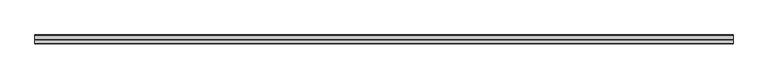
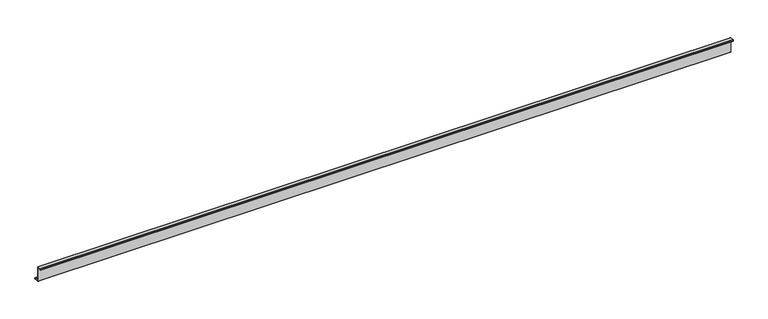
"""IFC4 building model written with IfcOpenShell, lengths in millimetres: member geometry."""

import ifcopenshell
import ifcopenshell.guid

model = None  # the IFC model being written
_history = None  # IfcOwnerHistory: only IFC2X3 demands one
_inside = {}  # id of a spatial element -> (the spatial element, [elements in it])
_under = {}  # id of a project, library or spatial element -> (it, [spatial elements below it])
_declared = {}  # id of a project -> (the project, [libraries it declares])
_typed = {}  # id of a type object -> (the type object, [elements of that type])
_made_of = {}  # id of a material, layer set ... -> (it, [elements and type objects made of it])


def new_model(schema):
    """Start an empty IFC model of exactly this schema.

    Asked for "IFC4X3", IfcOpenShell would pick the latest addendum, in which some entities
    have other attributes; the version numbers below select the first issue.
    IFC2X3 requires an IfcOwnerHistory on every rooted entity: one is made here for all.
    """
    global model, _history
    if schema == "IFC4X3":
        model = ifcopenshell.file(schema_version=(4, 3, 0, 0))
    else:
        model = ifcopenshell.file(schema=schema)
    _inside.clear()
    _under.clear()
    _declared.clear()
    _typed.clear()
    _made_of.clear()
    _history = None
    if model.schema == "IFC2X3":
        org = make("IfcOrganization", Name="unknown")
        user = make(
            "IfcPersonAndOrganization",
            ThePerson=make("IfcPerson", FamilyName="unknown"),
            TheOrganization=org,
        )
        app = make(
            "IfcApplication",
            ApplicationDeveloper=org,
            Version="unknown",
            ApplicationFullName="unknown",
            ApplicationIdentifier="unknown",
        )
        _history = make(
            "IfcOwnerHistory",
            OwningUser=user,
            OwningApplication=app,
            ChangeAction="ADDED",
            CreationDate=0,
        )
    return model


def make(cls, **values):
    """One entity of the class cls with the attributes given. An attribute that is None is left unset."""
    return model.create_entity(
        cls, **{name: value for name, value in values.items() if value is not None}
    )


def rooted(cls, **values):
    """An entity with a GlobalId (a new one), such as an element, a storey or a relation."""
    return make(cls, GlobalId=ifcopenshell.guid.new(), OwnerHistory=_history, **values)


def si_unit(unit_type, name, prefix=None):
    """IfcSIUnit, for example si_unit("LENGTHUNIT", "METRE", prefix="MILLI")."""
    return make("IfcSIUnit", UnitType=unit_type, Prefix=prefix, Name=name)


def assignment(units):
    """IfcUnitAssignment: the units of a project."""
    return None if units is None else make("IfcUnitAssignment", Units=units)


def point(xyz):
    """IfcCartesianPoint."""
    return None if xyz is None else make("IfcCartesianPoint", Coordinates=xyz)


def direction(xyz):
    """IfcDirection."""
    return None if xyz is None else make("IfcDirection", DirectionRatios=xyz)


def frame(location, z_axis=None, x_axis=None):
    """IfcAxis2Placement3D, a coordinate frame: its origin and axes. An axis left out is left unset."""
    return make(
        "IfcAxis2Placement3D",
        Location=point(location),
        Axis=direction(z_axis),
        RefDirection=direction(x_axis),
    )


def frame_2d(location, x_axis=None):
    """IfcAxis2Placement2D, a coordinate frame in the plane: its origin and x axis."""
    return make(
        "IfcAxis2Placement2D", Location=point(location), RefDirection=direction(x_axis)
    )


def origin():
    """The frame at (0, 0, 0) with its axes left unset."""
    return frame((0.0, 0.0, 0.0))


def place(relative_to, where):
    """IfcLocalPlacement: puts the frame where relative to a parent placement (None: the world)."""
    return make(
        "IfcLocalPlacement", PlacementRelTo=relative_to, RelativePlacement=where
    )


def context(
    kind, dimensions, precision=None, world=None, true_north=None, identifier=None
):
    """IfcGeometricRepresentationContext, for example the 3D "Model" context."""
    return make(
        "IfcGeometricRepresentationContext",
        ContextIdentifier=identifier,
        ContextType=kind,
        CoordinateSpaceDimension=dimensions,
        Precision=precision,
        WorldCoordinateSystem=world,
        TrueNorth=true_north,
    )


def project(units=None, contexts=None):
    """IfcProject with its units and contexts."""
    return rooted(
        "IfcProject",
        Name="project",
        RepresentationContexts=contexts,
        UnitsInContext=assignment(units),
    )


def spatial(cls, under=None, at=None, **own):
    """A site, building, storey or space (cls), placed at a placement, below another one or the project."""
    s = rooted(cls, ObjectPlacement=at, **own)
    if under is not None:
        _under.setdefault(under.id(), (under, []))[1].append(s)
    return s


def polyline(points):
    """IfcPolyline through the points."""
    return make("IfcPolyline", Points=[point(p) for p in points])


def circle_curve(where, radius):
    """IfcCircle in the frame where."""
    return make("IfcCircle", Position=where, Radius=radius)


def trimmed(basis, trim1, trim2, sense, master):
    """IfcTrimmedCurve: the piece of a basis curve between two trims."""
    return make(
        "IfcTrimmedCurve",
        BasisCurve=basis,
        Trim1=trim1,
        Trim2=trim2,
        SenseAgreement=sense,
        MasterRepresentation=master,
    )


def segment(curve, same_sense, transition):
    """IfcCompositeCurveSegment."""
    return make(
        "IfcCompositeCurveSegment",
        Transition=transition,
        SameSense=same_sense,
        ParentCurve=curve,
    )


def composite_curve(segments, self_intersect=None):
    """IfcCompositeCurve: segments joined end to end."""
    return make("IfcCompositeCurve", Segments=segments, SelfIntersect=self_intersect)


def outline(outer, holes=None, kind="AREA"):
    """IfcArbitraryClosedProfileDef: a profile drawn as a closed curve; with holes, ...WithVoids."""
    if holes is None:
        return make("IfcArbitraryClosedProfileDef", ProfileType=kind, OuterCurve=outer)
    return make(
        "IfcArbitraryProfileDefWithVoids",
        ProfileType=kind,
        OuterCurve=outer,
        InnerCurves=holes,
    )


def extrude(swept, where, along, depth):
    """IfcExtrudedAreaSolid: the profile swept, set in the frame where, extruded along a direction by depth."""
    return make(
        "IfcExtrudedAreaSolid",
        SweptArea=swept,
        Position=where,
        ExtrudedDirection=direction(along),
        Depth=depth,
    )


def shape(context_of_items, identifier, shape_type, items):
    """IfcShapeRepresentation: the items that make up one representation, for example the "Body"."""
    return make(
        "IfcShapeRepresentation",
        ContextOfItems=context_of_items,
        RepresentationIdentifier=identifier,
        RepresentationType=shape_type,
        Items=items,
    )


def source(mapping_origin, context_of_items, identifier, shape_type, items):
    """IfcRepresentationMap: a shape defined once, which mapped items show again and again."""
    return make(
        "IfcRepresentationMap",
        MappingOrigin=mapping_origin,
        MappedRepresentation=shape(context_of_items, identifier, shape_type, items),
    )


def transform(
    local_origin,
    x_axis=None,
    y_axis=None,
    z_axis=None,
    scale=None,
    scale2=None,
    scale3=None,
    uniform=True,
):
    """IfcCartesianTransformationOperator3D, or its non-uniform kind. x_axis, y_axis, z_axis: its Axis1, 2, 3."""
    if uniform:
        return make(
            "IfcCartesianTransformationOperator3D",
            Axis1=direction(x_axis),
            Axis2=direction(y_axis),
            LocalOrigin=point(local_origin),
            Scale=scale,
            Axis3=direction(z_axis),
        )
    return make(
        "IfcCartesianTransformationOperator3DnonUniform",
        Axis1=direction(x_axis),
        Axis2=direction(y_axis),
        LocalOrigin=point(local_origin),
        Scale=scale,
        Axis3=direction(z_axis),
        Scale2=scale2,
        Scale3=scale3,
    )


def mapped(mapping_source, mapping_target):
    """IfcMappedItem: shows the shape of a source again, moved by a transform."""
    return make(
        "IfcMappedItem", MappingSource=mapping_source, MappingTarget=mapping_target
    )


def made_of(thing, what):
    """Note that an element or type object is made of a material, layer set ...; save() writes the relation."""
    if what is not None:
        _made_of.setdefault(what.id(), (what, []))[1].append(thing)
    return thing


def element(
    cls,
    number,
    at=None,
    inside=None,
    cuts=None,
    type_object=None,
    material=None,
    context=None,
    identifier="Body",
    shape_type=None,
    held_by="IfcProductDefinitionShape",
    body=None,
    shapes=None,
    **own,
):
    """One element of the class cls, such as IfcWall. Its Tag is "e" and its number.

    at: its placement. inside: the storey or other place that contains it. cuts: it is an
    opening in that element (IfcRelVoidsElement). A single representation is given by context,
    identifier, shape_type and body (its items); several are given by shapes. held_by: the class
    of the entity that holds the representations. save() writes the other relations.
    """
    e = rooted(cls, Tag="e%d" % number, ObjectPlacement=at, **own)
    if body is not None:
        shapes = [shape(context, identifier, shape_type, body)]
    if shapes is not None:
        e.Representation = make(held_by, Representations=shapes)
    if inside is not None:
        _inside.setdefault(inside.id(), (inside, []))[1].append(e)
    if cuts is not None:
        rooted(
            "IfcRelVoidsElement", RelatingBuildingElement=cuts, RelatedOpeningElement=e
        )
    if type_object is not None:
        _typed.setdefault(type_object.id(), (type_object, []))[1].append(e)
    return made_of(e, material)


def aggregate(whole, parts):
    """IfcRelAggregates: a whole, such as a stair, and the parts it consists of."""
    return rooted("IfcRelAggregates", RelatingObject=whole, RelatedObjects=parts)


def save(model, path):
    """Write the relations noted so far, then the file.

    IfcRelAggregates (storeys below a building ...), IfcRelContainedInSpatialStructure (elements
    in a storey), IfcRelDefinesByType, IfcRelAssociatesMaterial and IfcRelDeclares: one each for
    every whole, place, type object, material and project.
    """
    for whole, parts in _under.values():
        aggregate(whole, parts)
    for where, things in _inside.values():
        rooted(
            "IfcRelContainedInSpatialStructure",
            RelatedElements=things,
            RelatingStructure=where,
        )
    for kind, things in _typed.values():
        rooted("IfcRelDefinesByType", RelatedObjects=things, RelatingType=kind)
    for what, things in _made_of.values():
        rooted("IfcRelAssociatesMaterial", RelatedObjects=things, RelatingMaterial=what)
    for by, libraries in _declared.values():
        rooted("IfcRelDeclares", RelatingContext=by, RelatedDefinitions=libraries)
    model.write(path)


def member_5518b96e(model_context):
    return source(origin(), model_context, "Body", "SweptSolid", [
        extrude(outline(composite_curve([segment(polyline([(0.0, -123.5), (0.0, 123.5)]), True, "CONTINUOUS"), segment(trimmed(circle_curve(frame_2d((-2.0, 123.5)), 2.0), [point((0.0, 123.5))], [point((-2.0, 125.5))], True, "CARTESIAN"), True, "CONTINUOUS"), segment(polyline([(-2.0, 125.5), (-63.5, 125.5)]), True, "CONTINUOUS"), segment(trimmed(circle_curve(frame_2d((-63.5, 123.5)), 2.0), [point((-63.5, 125.5))], [point((-65.5, 123.5))], True, "CARTESIAN"), True, "CONTINUOUS"), segment(polyline([(-65.5, 123.5), (-65.5, 107.0), (-67.0, 107.0), (-67.0, 123.5)]), True, "CONTINUOUS"), segment(trimmed(circle_curve(frame_2d((-63.5, 123.5)), 3.5), [point((-67.0, 123.5))], [point((-63.5, 127.0))], False, "CARTESIAN"), True, "CONTINUOUS"), segment(polyline([(-63.5, 127.0), (-2.0, 127.0)]), True, "CONTINUOUS"), segment(trimmed(circle_curve(frame_2d((-2.0, 123.5)), 3.5), [point((-2.0, 127.0))], [point((1.5, 123.5))], False, "CARTESIAN"), True, "CONTINUOUS"), segment(polyline([(1.5, 123.5), (1.5, -123.5)]), True, "CONTINUOUS"), segment(trimmed(circle_curve(frame_2d((3.5, -123.5)), 2.0), [point((1.5, -123.5))], [point((3.5, -125.5))], True, "CARTESIAN"), True, "CONTINUOUS"), segment(polyline([(3.5, -125.5), (75.0, -125.5)]), True, "CONTINUOUS"), segment(trimmed(circle_curve(frame_2d((75.0, -123.5)), 2.0), [point((75.0, -125.5))], [point((77.0, -123.5))], True, "CARTESIAN"), True, "CONTINUOUS"), segment(polyline([(77.0, -123.5), (77.0, -107.5), (78.5, -107.5), (78.5, -123.5)]), True, "CONTINUOUS"), segment(trimmed(circle_curve(frame_2d((75.0, -123.5)), 3.5), [point((78.5, -123.5))], [point((75.0, -127.0))], False, "CARTESIAN"), True, "CONTINUOUS"), segment(polyline([(75.0, -127.0), (3.5, -127.0)]), True, "CONTINUOUS"), segment(trimmed(circle_curve(frame_2d((3.5, -123.5)), 3.5), [point((3.5, -127.0))], [point((0.0, -123.5))], False, "CARTESIAN"), True, "CONTINUOUS")], self_intersect=False)), frame((-5632.5, 0.0, 0.0), z_axis=(1.0, 0.0, 0.0), x_axis=(0.0, 1.0, 0.0)), (0.0, 0.0, 1.0), 11265.0),
    ])


if __name__ == "__main__":
    model = new_model("IFC4")
    model_context = context("Model", 3, world=origin())
    ifc_project = project(units=[si_unit("LENGTHUNIT", "METRE", prefix="MILLI")], contexts=[model_context])
    site = spatial("IfcSite", under=ifc_project)
    building = spatial("IfcBuilding", under=site)
    placement = place(None, origin())
    member_shape = member_5518b96e(model_context)
    element("IfcMember", 1, at=placement, inside=building, context=model_context, shape_type="MappedRepresentation", body=[
        mapped(member_shape, transform((0.0, 0.0, 0.0), x_axis=(1.0, 0.0, 0.0), y_axis=(0.0, 1.0, 0.0), z_axis=(0.0, 0.0, 1.0))),
    ])
    save(model, "model.ifc")
